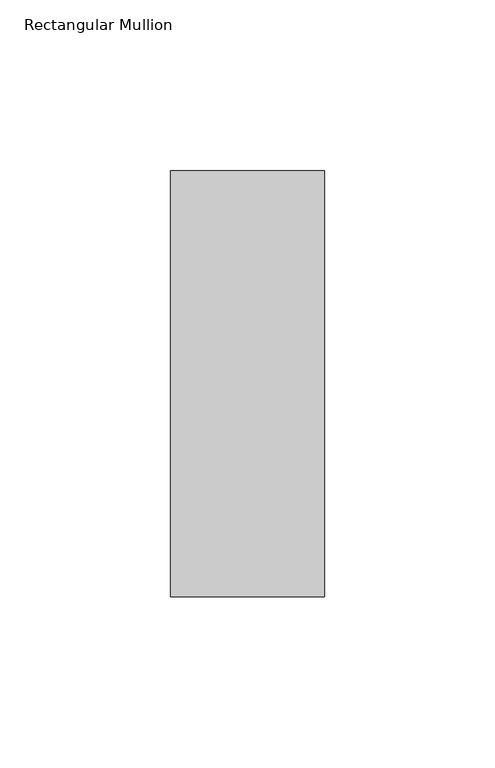
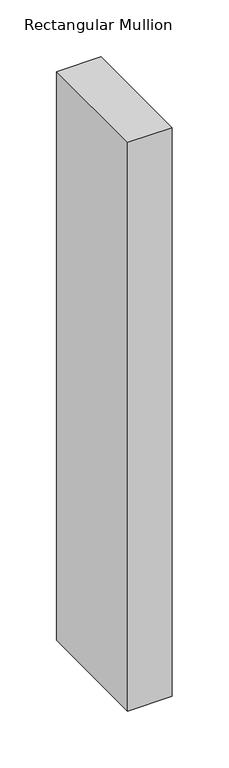
"""IFC4 building model written with IfcOpenShell, lengths in millimetres: member geometry, Rectangular Mullion."""

from ifc_helpers import new_model, si_unit, frame, origin, place, context, project, spatial, polyline, outline, extrude, source, transform, mapped, element, save


def rectangular_mullion_ea0f12c8(model_context):
    return source(origin(), model_context, "Body", "SweptSolid", [
        extrude(outline(polyline([(0.0, -77.84375), (-45.0, -77.84375), (-45.0, 46.84375), (0.0, 46.84375), (0.0, -77.84375)])), frame((0.0, 0.0, -609.6), z_axis=(0.0, 0.0, 1.0), x_axis=(1.0, 0.0, 0.0)), (0.0, 0.0, 1.0), 609.6),
    ])


if __name__ == "__main__":
    model = new_model("IFC4")
    model_context = context("Model", 3, world=origin())
    ifc_project = project(units=[si_unit("LENGTHUNIT", "METRE", prefix="MILLI")], contexts=[model_context])
    site = spatial("IfcSite", under=ifc_project)
    building = spatial("IfcBuilding", under=site)
    placement = place(None, origin())
    rectangular_mullion_shape = rectangular_mullion_ea0f12c8(model_context)
    element("IfcMember", 1, ObjectType="Rectangular Mullion", at=placement, inside=building, context=model_context, shape_type="MappedRepresentation", body=[
        mapped(rectangular_mullion_shape, transform((0.0, 0.0, 0.0), x_axis=(1.0, 0.0, 0.0), y_axis=(0.0, 1.0, 0.0), z_axis=(0.0, 0.0, 1.0))),
    ])
    save(model, "model.ifc")
